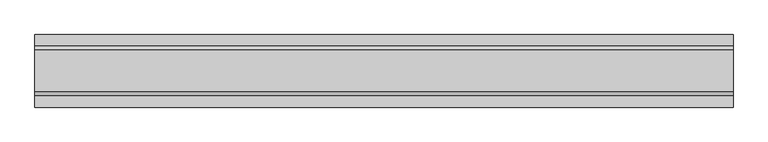
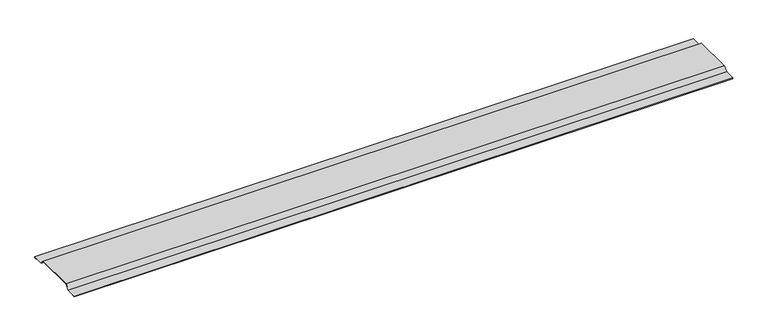
"""IFC4 building model written with IfcOpenShell, lengths in millimetres: proxy geometry."""

from ifc_helpers import new_model, si_unit, frame, origin, place, context, project, spatial, polyline, outline, extrude, source, transform, mapped, element, save


def generic_models_93f9eecd(model_context):
    return source(origin(), model_context, "Body", "SweptSolid", [
        extrude(outline(polyline([(99.5857864, 4.0), (84.5857864, 19.0), (-64.5857864, 19.0), (-79.5857864, 4.0), (-119.0, 4.0), (-119.0, 3.0), (-110.0, 3.0), (-110.0, 2.0), (-120.0, 2.0), (-120.0, 5.0), (-80.0, 5.0), (-65.0, 20.0), (85.0, 20.0), (100.0, 5.0), (140.0, 5.0), (140.0, 2.0), (130.0, 2.0), (130.0, 3.0), (139.0, 3.0), (139.0, 4.0), (99.5857864, 4.0)])), frame((0.0, 0.0, 0.0), z_axis=(1.0, 0.0, 0.0), x_axis=(0.0, 1.0, 0.0)), (0.0, 0.0, 1.0), 2500.0),
    ])


if __name__ == "__main__":
    model = new_model("IFC4")
    model_context = context("Model", 3, world=origin())
    ifc_project = project(units=[si_unit("LENGTHUNIT", "METRE", prefix="MILLI")], contexts=[model_context])
    site = spatial("IfcSite", under=ifc_project)
    building = spatial("IfcBuilding", under=site)
    placement = place(None, origin())
    generic_models_shape = generic_models_93f9eecd(model_context)
    element("IfcBuildingElementProxy", 1, Name="Generic Models", at=placement, inside=building, context=model_context, shape_type="MappedRepresentation", body=[
        mapped(generic_models_shape, transform((0.0, 0.0, 0.0), x_axis=(1.0, 0.0, 0.0), y_axis=(0.0, 1.0, 0.0), z_axis=(0.0, 0.0, 1.0))),
    ])
    save(model, "model.ifc")
